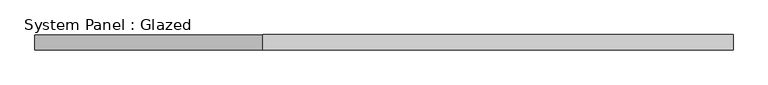
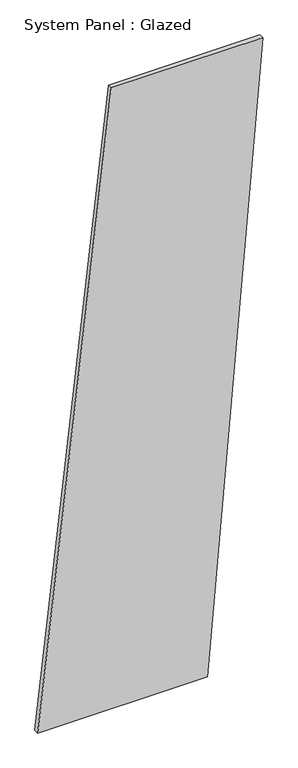
"""IFC4 building model written with IfcOpenShell, lengths in millimetres: plate geometry, System Panel : Glazed."""

from ifc_helpers import new_model, si_unit, frame, origin, place, context, project, spatial, polyline, outline, extrude, source, transform, mapped, element, save


def system_panel_glazed_b362aaa9(model_context):
    return source(origin(), model_context, "Body", "SweptSolid", [
        extrude(outline(polyline([(0.0, -573.7236205), (0.0, 292.587035), (3339.8511072, 573.7236205), (3339.8511072, -198.8748398), (0.0, -573.7236205)])), frame((0.0, -49.5, 0.0), z_axis=(0.0, 1.0, 0.0), x_axis=(0.0, 0.0, 1.0)), (0.0, 0.0, 1.0), 25.0),
    ])


if __name__ == "__main__":
    model = new_model("IFC4")
    model_context = context("Model", 3, world=origin())
    ifc_project = project(units=[si_unit("LENGTHUNIT", "METRE", prefix="MILLI")], contexts=[model_context])
    site = spatial("IfcSite", under=ifc_project)
    building = spatial("IfcBuilding", under=site)
    placement = place(None, origin())
    system_panel_glazed_shape = system_panel_glazed_b362aaa9(model_context)
    element("IfcPlate", 1, ObjectType="System Panel : Glazed", at=placement, inside=building, context=model_context, shape_type="MappedRepresentation", body=[
        mapped(system_panel_glazed_shape, transform((0.0, 0.0, 0.0), x_axis=(1.0, 0.0, 0.0), y_axis=(0.0, 1.0, 0.0), z_axis=(0.0, 0.0, 1.0))),
    ])
    save(model, "model.ifc")
